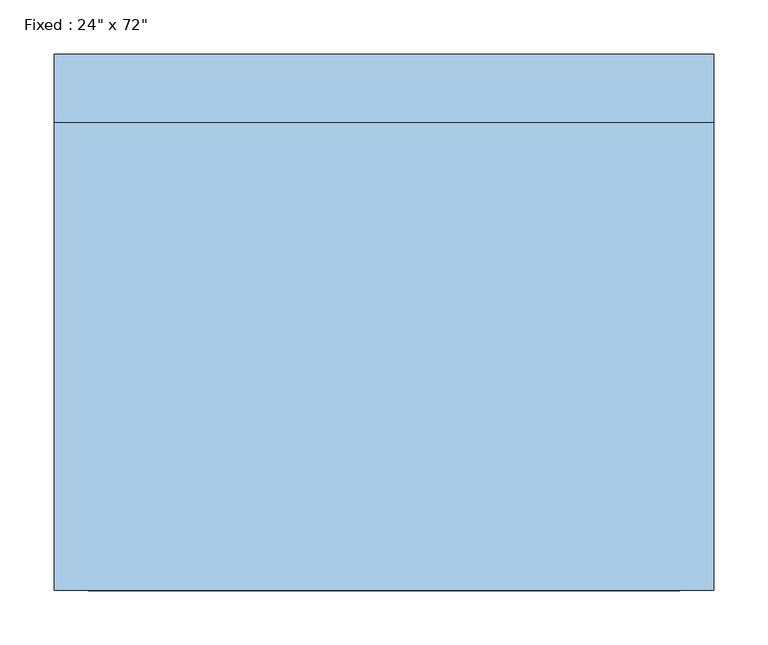
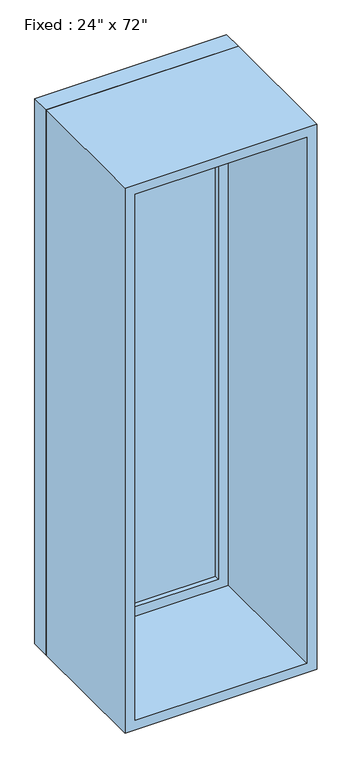
"""IFC4 building model written with IfcOpenShell, lengths in millimetres: window geometry."""

import ifcopenshell
import ifcopenshell.guid

model = None  # the IFC model being written
_history = None  # IfcOwnerHistory: only IFC2X3 demands one
_inside = {}  # id of a spatial element -> (the spatial element, [elements in it])
_under = {}  # id of a project, library or spatial element -> (it, [spatial elements below it])
_declared = {}  # id of a project -> (the project, [libraries it declares])
_typed = {}  # id of a type object -> (the type object, [elements of that type])
_made_of = {}  # id of a material, layer set ... -> (it, [elements and type objects made of it])


def new_model(schema):
    """Start an empty IFC model of exactly this schema.

    Asked for "IFC4X3", IfcOpenShell would pick the latest addendum, in which some entities
    have other attributes; the version numbers below select the first issue.
    IFC2X3 requires an IfcOwnerHistory on every rooted entity: one is made here for all.
    """
    global model, _history
    if schema == "IFC4X3":
        model = ifcopenshell.file(schema_version=(4, 3, 0, 0))
    else:
        model = ifcopenshell.file(schema=schema)
    _inside.clear()
    _under.clear()
    _declared.clear()
    _typed.clear()
    _made_of.clear()
    _history = None
    if model.schema == "IFC2X3":
        org = make("IfcOrganization", Name="unknown")
        user = make(
            "IfcPersonAndOrganization",
            ThePerson=make("IfcPerson", FamilyName="unknown"),
            TheOrganization=org,
        )
        app = make(
            "IfcApplication",
            ApplicationDeveloper=org,
            Version="unknown",
            ApplicationFullName="unknown",
            ApplicationIdentifier="unknown",
        )
        _history = make(
            "IfcOwnerHistory",
            OwningUser=user,
            OwningApplication=app,
            ChangeAction="ADDED",
            CreationDate=0,
        )
    return model


def make(cls, **values):
    """One entity of the class cls with the attributes given. An attribute that is None is left unset."""
    return model.create_entity(
        cls, **{name: value for name, value in values.items() if value is not None}
    )


def rooted(cls, **values):
    """An entity with a GlobalId (a new one), such as an element, a storey or a relation."""
    return make(cls, GlobalId=ifcopenshell.guid.new(), OwnerHistory=_history, **values)


def si_unit(unit_type, name, prefix=None):
    """IfcSIUnit, for example si_unit("LENGTHUNIT", "METRE", prefix="MILLI")."""
    return make("IfcSIUnit", UnitType=unit_type, Prefix=prefix, Name=name)


def assignment(units):
    """IfcUnitAssignment: the units of a project."""
    return None if units is None else make("IfcUnitAssignment", Units=units)


def point(xyz):
    """IfcCartesianPoint."""
    return None if xyz is None else make("IfcCartesianPoint", Coordinates=xyz)


def direction(xyz):
    """IfcDirection."""
    return None if xyz is None else make("IfcDirection", DirectionRatios=xyz)


def frame(location, z_axis=None, x_axis=None):
    """IfcAxis2Placement3D, a coordinate frame: its origin and axes. An axis left out is left unset."""
    return make(
        "IfcAxis2Placement3D",
        Location=point(location),
        Axis=direction(z_axis),
        RefDirection=direction(x_axis),
    )


def origin():
    """The frame at (0, 0, 0) with its axes left unset."""
    return frame((0.0, 0.0, 0.0))


def place(relative_to, where):
    """IfcLocalPlacement: puts the frame where relative to a parent placement (None: the world)."""
    return make(
        "IfcLocalPlacement", PlacementRelTo=relative_to, RelativePlacement=where
    )


def context(
    kind, dimensions, precision=None, world=None, true_north=None, identifier=None
):
    """IfcGeometricRepresentationContext, for example the 3D "Model" context."""
    return make(
        "IfcGeometricRepresentationContext",
        ContextIdentifier=identifier,
        ContextType=kind,
        CoordinateSpaceDimension=dimensions,
        Precision=precision,
        WorldCoordinateSystem=world,
        TrueNorth=true_north,
    )


def project(units=None, contexts=None):
    """IfcProject with its units and contexts."""
    return rooted(
        "IfcProject",
        Name="project",
        RepresentationContexts=contexts,
        UnitsInContext=assignment(units),
    )


def spatial(cls, under=None, at=None, **own):
    """A site, building, storey or space (cls), placed at a placement, below another one or the project."""
    s = rooted(cls, ObjectPlacement=at, **own)
    if under is not None:
        _under.setdefault(under.id(), (under, []))[1].append(s)
    return s


def polyline(points):
    """IfcPolyline through the points."""
    return make("IfcPolyline", Points=[point(p) for p in points])


def outline(outer, holes=None, kind="AREA"):
    """IfcArbitraryClosedProfileDef: a profile drawn as a closed curve; with holes, ...WithVoids."""
    if holes is None:
        return make("IfcArbitraryClosedProfileDef", ProfileType=kind, OuterCurve=outer)
    return make(
        "IfcArbitraryProfileDefWithVoids",
        ProfileType=kind,
        OuterCurve=outer,
        InnerCurves=holes,
    )


def extrude(swept, where, along, depth):
    """IfcExtrudedAreaSolid: the profile swept, set in the frame where, extruded along a direction by depth."""
    return make(
        "IfcExtrudedAreaSolid",
        SweptArea=swept,
        Position=where,
        ExtrudedDirection=direction(along),
        Depth=depth,
    )


def shape(context_of_items, identifier, shape_type, items):
    """IfcShapeRepresentation: the items that make up one representation, for example the "Body"."""
    return make(
        "IfcShapeRepresentation",
        ContextOfItems=context_of_items,
        RepresentationIdentifier=identifier,
        RepresentationType=shape_type,
        Items=items,
    )


def source(mapping_origin, context_of_items, identifier, shape_type, items):
    """IfcRepresentationMap: a shape defined once, which mapped items show again and again."""
    return make(
        "IfcRepresentationMap",
        MappingOrigin=mapping_origin,
        MappedRepresentation=shape(context_of_items, identifier, shape_type, items),
    )


def transform(
    local_origin,
    x_axis=None,
    y_axis=None,
    z_axis=None,
    scale=None,
    scale2=None,
    scale3=None,
    uniform=True,
):
    """IfcCartesianTransformationOperator3D, or its non-uniform kind. x_axis, y_axis, z_axis: its Axis1, 2, 3."""
    if uniform:
        return make(
            "IfcCartesianTransformationOperator3D",
            Axis1=direction(x_axis),
            Axis2=direction(y_axis),
            LocalOrigin=point(local_origin),
            Scale=scale,
            Axis3=direction(z_axis),
        )
    return make(
        "IfcCartesianTransformationOperator3DnonUniform",
        Axis1=direction(x_axis),
        Axis2=direction(y_axis),
        LocalOrigin=point(local_origin),
        Scale=scale,
        Axis3=direction(z_axis),
        Scale2=scale2,
        Scale3=scale3,
    )


def mapped(mapping_source, mapping_target):
    """IfcMappedItem: shows the shape of a source again, moved by a transform."""
    return make(
        "IfcMappedItem", MappingSource=mapping_source, MappingTarget=mapping_target
    )


def made_of(thing, what):
    """Note that an element or type object is made of a material, layer set ...; save() writes the relation."""
    if what is not None:
        _made_of.setdefault(what.id(), (what, []))[1].append(thing)
    return thing


def element(
    cls,
    number,
    at=None,
    inside=None,
    cuts=None,
    type_object=None,
    material=None,
    context=None,
    identifier="Body",
    shape_type=None,
    held_by="IfcProductDefinitionShape",
    body=None,
    shapes=None,
    **own,
):
    """One element of the class cls, such as IfcWall. Its Tag is "e" and its number.

    at: its placement. inside: the storey or other place that contains it. cuts: it is an
    opening in that element (IfcRelVoidsElement). A single representation is given by context,
    identifier, shape_type and body (its items); several are given by shapes. held_by: the class
    of the entity that holds the representations. save() writes the other relations.
    """
    e = rooted(cls, Tag="e%d" % number, ObjectPlacement=at, **own)
    if body is not None:
        shapes = [shape(context, identifier, shape_type, body)]
    if shapes is not None:
        e.Representation = make(held_by, Representations=shapes)
    if inside is not None:
        _inside.setdefault(inside.id(), (inside, []))[1].append(e)
    if cuts is not None:
        rooted(
            "IfcRelVoidsElement", RelatingBuildingElement=cuts, RelatedOpeningElement=e
        )
    if type_object is not None:
        _typed.setdefault(type_object.id(), (type_object, []))[1].append(e)
    return made_of(e, material)


def aggregate(whole, parts):
    """IfcRelAggregates: a whole, such as a stair, and the parts it consists of."""
    return rooted("IfcRelAggregates", RelatingObject=whole, RelatedObjects=parts)


def save(model, path):
    """Write the relations noted so far, then the file.

    IfcRelAggregates (storeys below a building ...), IfcRelContainedInSpatialStructure (elements
    in a storey), IfcRelDefinesByType, IfcRelAssociatesMaterial and IfcRelDeclares: one each for
    every whole, place, type object, material and project.
    """
    for whole, parts in _under.values():
        aggregate(whole, parts)
    for where, things in _inside.values():
        rooted(
            "IfcRelContainedInSpatialStructure",
            RelatedElements=things,
            RelatingStructure=where,
        )
    for kind, things in _typed.values():
        rooted("IfcRelDefinesByType", RelatedObjects=things, RelatingType=kind)
    for what, things in _made_of.values():
        rooted("IfcRelAssociatesMaterial", RelatedObjects=things, RelatingMaterial=what)
    for by, libraries in _declared.values():
        rooted("IfcRelDeclares", RelatingContext=by, RelatedDefinitions=libraries)
    model.write(path)


def window_1ab38b64(model_context):
    return source(origin(), model_context, "Body", "SweptSolid", [
        extrude(outline(polyline([(203.2, 200.025), (-279.4, 200.025), (-279.4, 212.725), (203.2, 212.725), (203.2, 200.025)])), frame((0.0, 0.0, 368.3), z_axis=(0.0, 0.0, 1.0), x_axis=(1.0, 0.0, 0.0)), (0.0, 0.0, 1.0), 1701.8),
        extrude(outline(polyline([(2114.55, -323.85), (323.85, -323.85), (323.85, 247.65), (2114.55, 247.65), (2114.55, -323.85)]), holes=[polyline([(2070.1, -279.4), (2070.1, 203.2), (368.3, 203.2), (368.3, -279.4), (2070.1, -279.4)])]), frame((0.0, 184.15, 0.0), z_axis=(0.0, 1.0, 0.0), x_axis=(0.0, 0.0, 1.0)), (0.0, 0.0, 1.0), 44.45),
        extrude(outline(polyline([(2133.6, -342.9), (304.8, -342.9), (304.8, 266.7), (2133.6, 266.7), (2133.6, -342.9)]), holes=[polyline([(2101.85, -311.15), (2101.85, 234.95), (336.55, 234.95), (336.55, -311.15), (2101.85, -311.15)])]), frame((0.0, -247.65, 0.0), z_axis=(0.0, 1.0, 0.0), x_axis=(0.0, 0.0, 1.0)), (0.0, 0.0, 1.0), 431.8),
        extrude(outline(polyline([(2133.6, 266.7), (2133.6, -342.9), (304.8, -342.9), (304.8, 266.7), (2133.6, 266.7)]), holes=[polyline([(2114.55, 247.65), (323.85, 247.65), (323.85, -323.85), (2114.55, -323.85), (2114.55, 247.65)])]), frame((0.0, 184.15, 0.0), z_axis=(0.0, 1.0, 0.0), x_axis=(0.0, 0.0, 1.0)), (0.0, 0.0, 1.0), 63.5),
    ])


if __name__ == "__main__":
    model = new_model("IFC4")
    model_context = context("Model", 3, world=origin())
    ifc_project = project(units=[si_unit("LENGTHUNIT", "METRE", prefix="MILLI")], contexts=[model_context])
    site = spatial("IfcSite", under=ifc_project)
    building = spatial("IfcBuilding", under=site)
    placement = place(None, origin())
    window_shape = window_1ab38b64(model_context)
    element("IfcWindow", 1, ObjectType="Fixed : 24\" x 72\"", at=placement, inside=building, context=model_context, shape_type="MappedRepresentation", body=[
        mapped(window_shape, transform((0.0, 0.0, 0.0), x_axis=(1.0, 0.0, 0.0), y_axis=(0.0, 1.0, 0.0), z_axis=(0.0, 0.0, 1.0))),
    ])
    save(model, "model.ifc")
